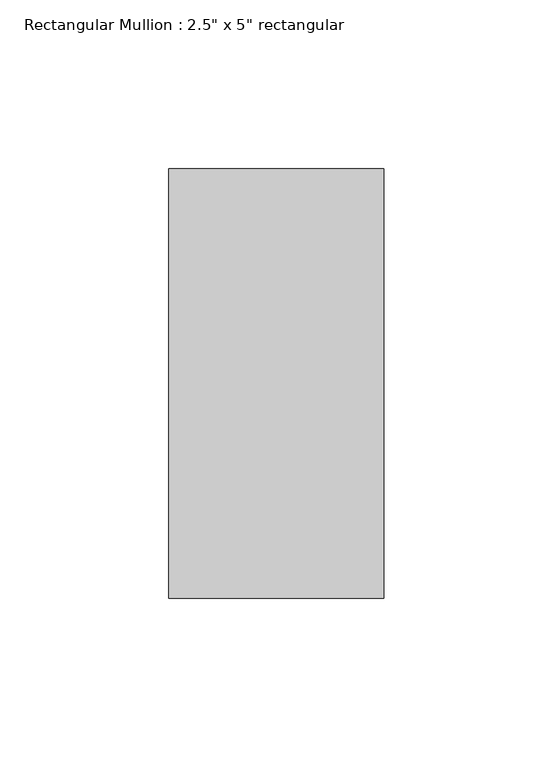
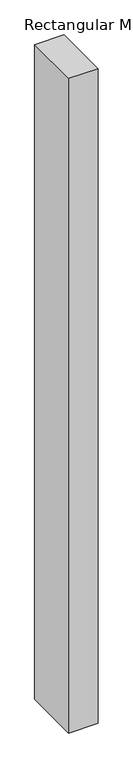
"""IFC4 building model written with IfcOpenShell, lengths in millimetres: member geometry."""

from ifc_helpers import new_model, si_unit, frame, origin, place, context, project, spatial, polyline, outline, extrude, source, transform, mapped, element, save


def member_b97e81de(model_context):
    return source(origin(), model_context, "Body", "SweptSolid", [
        extrude(outline(polyline([(0.0, 63.5), (0.0, -63.5), (-63.5, -63.5), (-63.5, 63.5), (0.0, 63.5)])), frame((0.0, 0.0, -1497.4683715), z_axis=(0.0, 0.0, 1.0), x_axis=(1.0, 0.0, 0.0)), (0.0, 0.0, 1.0), 1497.4683715),
    ])


if __name__ == "__main__":
    model = new_model("IFC4")
    model_context = context("Model", 3, world=origin())
    ifc_project = project(units=[si_unit("LENGTHUNIT", "METRE", prefix="MILLI")], contexts=[model_context])
    site = spatial("IfcSite", under=ifc_project)
    building = spatial("IfcBuilding", under=site)
    placement = place(None, origin())
    member_shape = member_b97e81de(model_context)
    element("IfcMember", 1, ObjectType="Rectangular Mullion : 2.5\" x 5\" rectangular", at=placement, inside=building, context=model_context, shape_type="MappedRepresentation", body=[
        mapped(member_shape, transform((0.0, 0.0, 0.0), x_axis=(1.0, 0.0, 0.0), y_axis=(0.0, 1.0, 0.0), z_axis=(0.0, 0.0, 1.0))),
    ])
    save(model, "model.ifc")
